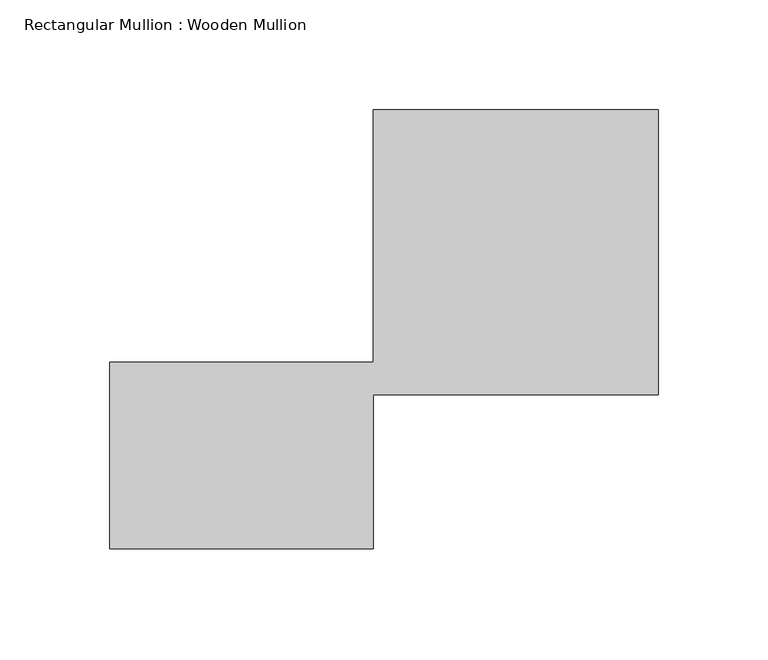
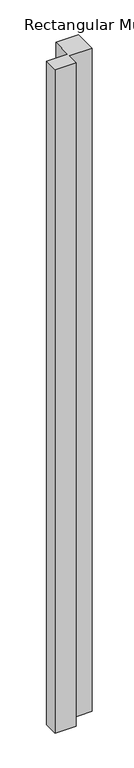
"""IFC4 building model written with IfcOpenShell, lengths in millimetres: member geometry, Rectangular Mullion : Wooden Mullion."""

from ifc_helpers import new_model, si_unit, frame, origin, place, context, project, spatial, polyline, outline, extrude, source, transform, mapped, element, save


def rectangular_mullion_wooden_mullion_90daa556(model_context):
    return source(origin(), model_context, "Body", "SweptSolid", [
        extrude(outline(polyline([(74.8100006, -26.0137344), (-45.1899994, -26.0137344), (-45.1899994, 58.9862656), (74.8100006, 58.9862656), (74.8100006, 173.9862656), (204.8100006, 173.9862656), (204.8100006, 43.9862656), (74.8100006, 43.9862656), (74.8100006, -26.0137344)])), frame((0.0, 0.0, -3986.5343722), z_axis=(0.0, 0.0, 1.0), x_axis=(1.0, 0.0, 0.0)), (0.0, 0.0, 1.0), 3986.5343722),
    ])


if __name__ == "__main__":
    model = new_model("IFC4")
    model_context = context("Model", 3, world=origin())
    ifc_project = project(units=[si_unit("LENGTHUNIT", "METRE", prefix="MILLI")], contexts=[model_context])
    site = spatial("IfcSite", under=ifc_project)
    building = spatial("IfcBuilding", under=site)
    placement = place(None, origin())
    rectangular_mullion_wooden_mullion_shape = rectangular_mullion_wooden_mullion_90daa556(model_context)
    element("IfcMember", 1, ObjectType="Rectangular Mullion : Wooden Mullion", at=placement, inside=building, context=model_context, shape_type="MappedRepresentation", body=[
        mapped(rectangular_mullion_wooden_mullion_shape, transform((0.0, 0.0, 0.0), x_axis=(1.0, 0.0, 0.0), y_axis=(0.0, 1.0, 0.0), z_axis=(0.0, 0.0, 1.0))),
    ])
    save(model, "model.ifc")
